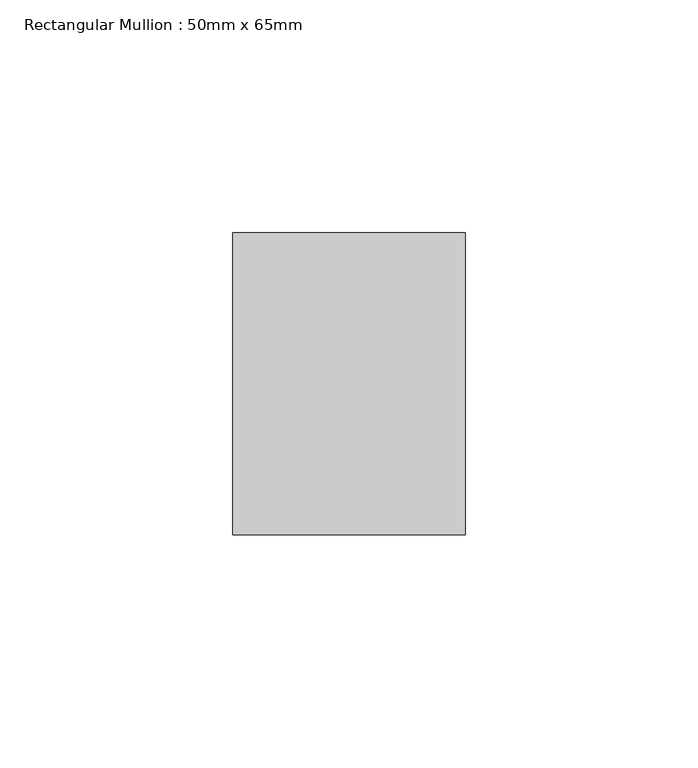
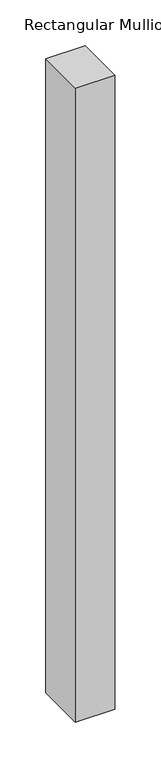
"""IFC4 building model written with IfcOpenShell, lengths in millimetres: member geometry, Rectangular Mullion : 50mm x 65mm."""

from ifc_helpers import new_model, si_unit, frame, origin, place, context, project, spatial, polyline, outline, extrude, source, transform, mapped, element, save


def rectangular_mullion_50mm_x_65mm_df8e65bb(model_context):
    return source(origin(), model_context, "Body", "SweptSolid", [
        extrude(outline(polyline([(25.0, 32.5), (25.0, -32.5), (-25.0, -32.5), (-25.0, 32.5), (25.0, 32.5)])), frame((0.0, 0.0, -846.7249773), z_axis=(0.0, 0.0, 1.0), x_axis=(1.0, 0.0, 0.0)), (0.0, 0.0, 1.0), 846.7249773),
    ])


if __name__ == "__main__":
    model = new_model("IFC4")
    model_context = context("Model", 3, world=origin())
    ifc_project = project(units=[si_unit("LENGTHUNIT", "METRE", prefix="MILLI")], contexts=[model_context])
    site = spatial("IfcSite", under=ifc_project)
    building = spatial("IfcBuilding", under=site)
    placement = place(None, origin())
    rectangular_mullion_50mm_x_65mm_shape = rectangular_mullion_50mm_x_65mm_df8e65bb(model_context)
    element("IfcMember", 1, ObjectType="Rectangular Mullion : 50mm x 65mm", at=placement, inside=building, context=model_context, shape_type="MappedRepresentation", body=[
        mapped(rectangular_mullion_50mm_x_65mm_shape, transform((0.0, 0.0, 0.0), x_axis=(1.0, 0.0, 0.0), y_axis=(0.0, 1.0, 0.0), z_axis=(0.0, 0.0, 1.0))),
    ])
    save(model, "model.ifc")
